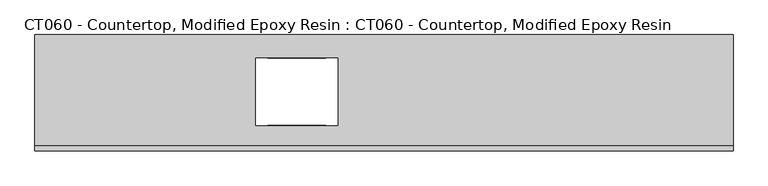
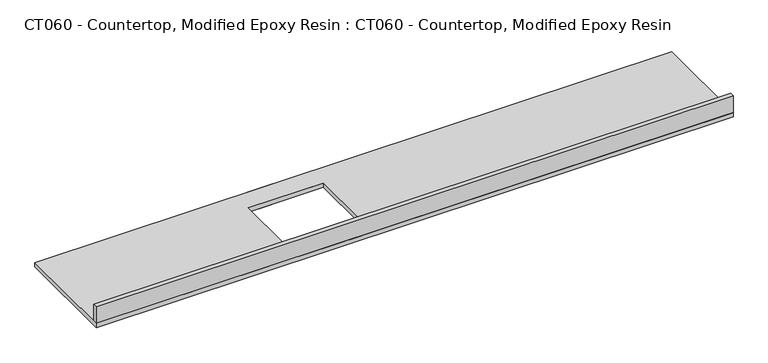
"""IFC4 building model written with IfcOpenShell, lengths in millimetres: proxy geometry, CT060 - Countertop, Modified Epoxy Resin : CT060 - Countertop, Modified Epoxy Resin."""

import ifcopenshell
import ifcopenshell.guid

model = None  # the IFC model being written
_history = None  # IfcOwnerHistory: only IFC2X3 demands one
_inside = {}  # id of a spatial element -> (the spatial element, [elements in it])
_under = {}  # id of a project, library or spatial element -> (it, [spatial elements below it])
_declared = {}  # id of a project -> (the project, [libraries it declares])
_typed = {}  # id of a type object -> (the type object, [elements of that type])
_made_of = {}  # id of a material, layer set ... -> (it, [elements and type objects made of it])


def new_model(schema):
    """Start an empty IFC model of exactly this schema.

    Asked for "IFC4X3", IfcOpenShell would pick the latest addendum, in which some entities
    have other attributes; the version numbers below select the first issue.
    IFC2X3 requires an IfcOwnerHistory on every rooted entity: one is made here for all.
    """
    global model, _history
    if schema == "IFC4X3":
        model = ifcopenshell.file(schema_version=(4, 3, 0, 0))
    else:
        model = ifcopenshell.file(schema=schema)
    _inside.clear()
    _under.clear()
    _declared.clear()
    _typed.clear()
    _made_of.clear()
    _history = None
    if model.schema == "IFC2X3":
        org = make("IfcOrganization", Name="unknown")
        user = make(
            "IfcPersonAndOrganization",
            ThePerson=make("IfcPerson", FamilyName="unknown"),
            TheOrganization=org,
        )
        app = make(
            "IfcApplication",
            ApplicationDeveloper=org,
            Version="unknown",
            ApplicationFullName="unknown",
            ApplicationIdentifier="unknown",
        )
        _history = make(
            "IfcOwnerHistory",
            OwningUser=user,
            OwningApplication=app,
            ChangeAction="ADDED",
            CreationDate=0,
        )
    return model


def make(cls, **values):
    """One entity of the class cls with the attributes given. An attribute that is None is left unset."""
    return model.create_entity(
        cls, **{name: value for name, value in values.items() if value is not None}
    )


def rooted(cls, **values):
    """An entity with a GlobalId (a new one), such as an element, a storey or a relation."""
    return make(cls, GlobalId=ifcopenshell.guid.new(), OwnerHistory=_history, **values)


def si_unit(unit_type, name, prefix=None):
    """IfcSIUnit, for example si_unit("LENGTHUNIT", "METRE", prefix="MILLI")."""
    return make("IfcSIUnit", UnitType=unit_type, Prefix=prefix, Name=name)


def assignment(units):
    """IfcUnitAssignment: the units of a project."""
    return None if units is None else make("IfcUnitAssignment", Units=units)


def point(xyz):
    """IfcCartesianPoint."""
    return None if xyz is None else make("IfcCartesianPoint", Coordinates=xyz)


def direction(xyz):
    """IfcDirection."""
    return None if xyz is None else make("IfcDirection", DirectionRatios=xyz)


def frame(location, z_axis=None, x_axis=None):
    """IfcAxis2Placement3D, a coordinate frame: its origin and axes. An axis left out is left unset."""
    return make(
        "IfcAxis2Placement3D",
        Location=point(location),
        Axis=direction(z_axis),
        RefDirection=direction(x_axis),
    )


def origin():
    """The frame at (0, 0, 0) with its axes left unset."""
    return frame((0.0, 0.0, 0.0))


def place(relative_to, where):
    """IfcLocalPlacement: puts the frame where relative to a parent placement (None: the world)."""
    return make(
        "IfcLocalPlacement", PlacementRelTo=relative_to, RelativePlacement=where
    )


def context(
    kind, dimensions, precision=None, world=None, true_north=None, identifier=None
):
    """IfcGeometricRepresentationContext, for example the 3D "Model" context."""
    return make(
        "IfcGeometricRepresentationContext",
        ContextIdentifier=identifier,
        ContextType=kind,
        CoordinateSpaceDimension=dimensions,
        Precision=precision,
        WorldCoordinateSystem=world,
        TrueNorth=true_north,
    )


def project(units=None, contexts=None):
    """IfcProject with its units and contexts."""
    return rooted(
        "IfcProject",
        Name="project",
        RepresentationContexts=contexts,
        UnitsInContext=assignment(units),
    )


def spatial(cls, under=None, at=None, **own):
    """A site, building, storey or space (cls), placed at a placement, below another one or the project."""
    s = rooted(cls, ObjectPlacement=at, **own)
    if under is not None:
        _under.setdefault(under.id(), (under, []))[1].append(s)
    return s


def polyline(points):
    """IfcPolyline through the points."""
    return make("IfcPolyline", Points=[point(p) for p in points])


def outline(outer, holes=None, kind="AREA"):
    """IfcArbitraryClosedProfileDef: a profile drawn as a closed curve; with holes, ...WithVoids."""
    if holes is None:
        return make("IfcArbitraryClosedProfileDef", ProfileType=kind, OuterCurve=outer)
    return make(
        "IfcArbitraryProfileDefWithVoids",
        ProfileType=kind,
        OuterCurve=outer,
        InnerCurves=holes,
    )


def extrude(swept, where, along, depth):
    """IfcExtrudedAreaSolid: the profile swept, set in the frame where, extruded along a direction by depth."""
    return make(
        "IfcExtrudedAreaSolid",
        SweptArea=swept,
        Position=where,
        ExtrudedDirection=direction(along),
        Depth=depth,
    )


def shape(context_of_items, identifier, shape_type, items):
    """IfcShapeRepresentation: the items that make up one representation, for example the "Body"."""
    return make(
        "IfcShapeRepresentation",
        ContextOfItems=context_of_items,
        RepresentationIdentifier=identifier,
        RepresentationType=shape_type,
        Items=items,
    )


def source(mapping_origin, context_of_items, identifier, shape_type, items):
    """IfcRepresentationMap: a shape defined once, which mapped items show again and again."""
    return make(
        "IfcRepresentationMap",
        MappingOrigin=mapping_origin,
        MappedRepresentation=shape(context_of_items, identifier, shape_type, items),
    )


def transform(
    local_origin,
    x_axis=None,
    y_axis=None,
    z_axis=None,
    scale=None,
    scale2=None,
    scale3=None,
    uniform=True,
):
    """IfcCartesianTransformationOperator3D, or its non-uniform kind. x_axis, y_axis, z_axis: its Axis1, 2, 3."""
    if uniform:
        return make(
            "IfcCartesianTransformationOperator3D",
            Axis1=direction(x_axis),
            Axis2=direction(y_axis),
            LocalOrigin=point(local_origin),
            Scale=scale,
            Axis3=direction(z_axis),
        )
    return make(
        "IfcCartesianTransformationOperator3DnonUniform",
        Axis1=direction(x_axis),
        Axis2=direction(y_axis),
        LocalOrigin=point(local_origin),
        Scale=scale,
        Axis3=direction(z_axis),
        Scale2=scale2,
        Scale3=scale3,
    )


def mapped(mapping_source, mapping_target):
    """IfcMappedItem: shows the shape of a source again, moved by a transform."""
    return make(
        "IfcMappedItem", MappingSource=mapping_source, MappingTarget=mapping_target
    )


def made_of(thing, what):
    """Note that an element or type object is made of a material, layer set ...; save() writes the relation."""
    if what is not None:
        _made_of.setdefault(what.id(), (what, []))[1].append(thing)
    return thing


def element(
    cls,
    number,
    at=None,
    inside=None,
    cuts=None,
    type_object=None,
    material=None,
    context=None,
    identifier="Body",
    shape_type=None,
    held_by="IfcProductDefinitionShape",
    body=None,
    shapes=None,
    **own,
):
    """One element of the class cls, such as IfcWall. Its Tag is "e" and its number.

    at: its placement. inside: the storey or other place that contains it. cuts: it is an
    opening in that element (IfcRelVoidsElement). A single representation is given by context,
    identifier, shape_type and body (its items); several are given by shapes. held_by: the class
    of the entity that holds the representations. save() writes the other relations.
    """
    e = rooted(cls, Tag="e%d" % number, ObjectPlacement=at, **own)
    if body is not None:
        shapes = [shape(context, identifier, shape_type, body)]
    if shapes is not None:
        e.Representation = make(held_by, Representations=shapes)
    if inside is not None:
        _inside.setdefault(inside.id(), (inside, []))[1].append(e)
    if cuts is not None:
        rooted(
            "IfcRelVoidsElement", RelatingBuildingElement=cuts, RelatedOpeningElement=e
        )
    if type_object is not None:
        _typed.setdefault(type_object.id(), (type_object, []))[1].append(e)
    return made_of(e, material)


def aggregate(whole, parts):
    """IfcRelAggregates: a whole, such as a stair, and the parts it consists of."""
    return rooted("IfcRelAggregates", RelatingObject=whole, RelatedObjects=parts)


def save(model, path):
    """Write the relations noted so far, then the file.

    IfcRelAggregates (storeys below a building ...), IfcRelContainedInSpatialStructure (elements
    in a storey), IfcRelDefinesByType, IfcRelAssociatesMaterial and IfcRelDeclares: one each for
    every whole, place, type object, material and project.
    """
    for whole, parts in _under.values():
        aggregate(whole, parts)
    for where, things in _inside.values():
        rooted(
            "IfcRelContainedInSpatialStructure",
            RelatedElements=things,
            RelatingStructure=where,
        )
    for kind, things in _typed.values():
        rooted("IfcRelDefinesByType", RelatedObjects=things, RelatingType=kind)
    for what, things in _made_of.values():
        rooted("IfcRelAssociatesMaterial", RelatedObjects=things, RelatingMaterial=what)
    for by, libraries in _declared.values():
        rooted("IfcRelDeclares", RelatingContext=by, RelatedDefinitions=libraries)
    model.write(path)


def ct060_countertop_modified_epoxy_resin_ct060_countertop_8f60484a(model_context):
    return source(origin(), model_context, "Body", "SweptSolid", [
        extrude(outline(polyline([(2286.0, -304.8), (-1371.6, -304.8), (-1371.6, 304.8), (2286.0, 304.8), (2286.0, -304.8)]), holes=[polyline([(215.6740806, -170.7870702), (215.6740806, 183.7016057), (-215.6740806, 183.7016057), (-215.6740806, -170.7870702), (215.6740806, -170.7870702)])]), frame((0.0, 0.0, 838.2), z_axis=(0.0, 0.0, 1.0), x_axis=(1.0, 0.0, 0.0)), (0.0, 0.0, 1.0), 25.4),
        extrude(outline(polyline([(152.4, 304.8), (152.4, 183.7016057), (-152.4, 183.7016057), (-152.4, 304.8), (152.4, 304.8)])), frame((0.0, 0.0, 838.2), z_axis=(0.0, 0.0, 1.0), x_axis=(1.0, 0.0, 0.0)), (0.0, 0.0, 1.0), 25.4),
        extrude(outline(polyline([(-152.4, -304.8), (-152.4, -170.7870702), (152.4, -170.7870702), (152.4, -304.8), (-152.4, -304.8)])), frame((0.0, 0.0, 838.2), z_axis=(0.0, 0.0, 1.0), x_axis=(1.0, 0.0, 0.0)), (0.0, 0.0, 1.0), 25.4),
        extrude(outline(polyline([(-1371.6, -279.4), (2286.0, -279.4), (2286.0, -304.8), (-1371.6, -304.8), (-1371.6, -279.4)])), frame((0.0, 0.0, 863.6), z_axis=(0.0, 0.0, 1.0), x_axis=(1.0, 0.0, 0.0)), (0.0, 0.0, 1.0), 101.6),
    ])


if __name__ == "__main__":
    model = new_model("IFC4")
    model_context = context("Model", 3, world=origin())
    ifc_project = project(units=[si_unit("LENGTHUNIT", "METRE", prefix="MILLI")], contexts=[model_context])
    site = spatial("IfcSite", under=ifc_project)
    building = spatial("IfcBuilding", under=site)
    placement = place(None, origin())
    ct060_countertop_modified_epoxy_resin_ct060_countertop_shape = ct060_countertop_modified_epoxy_resin_ct060_countertop_8f60484a(model_context)
    element("IfcBuildingElementProxy", 1, Name="CT060 - Countertop, Modified Epoxy Resin : CT060 - Countertop, Modified Epoxy Resin", ObjectType="CT060 - Countertop, Modified Epoxy Resin : CT060 - Countertop, Modified Epoxy Resin", at=placement, inside=building, context=model_context, shape_type="MappedRepresentation", body=[
        mapped(ct060_countertop_modified_epoxy_resin_ct060_countertop_shape, transform((0.0, 0.0, 0.0), x_axis=(1.0, 0.0, 0.0), y_axis=(0.0, 1.0, 0.0), z_axis=(0.0, 0.0, 1.0))),
    ])
    save(model, "model.ifc")
